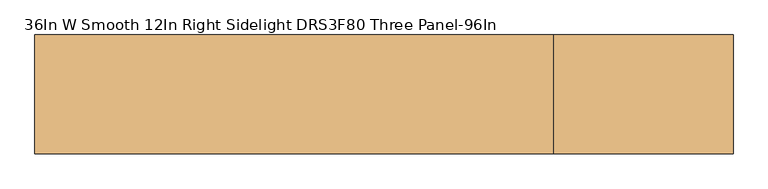
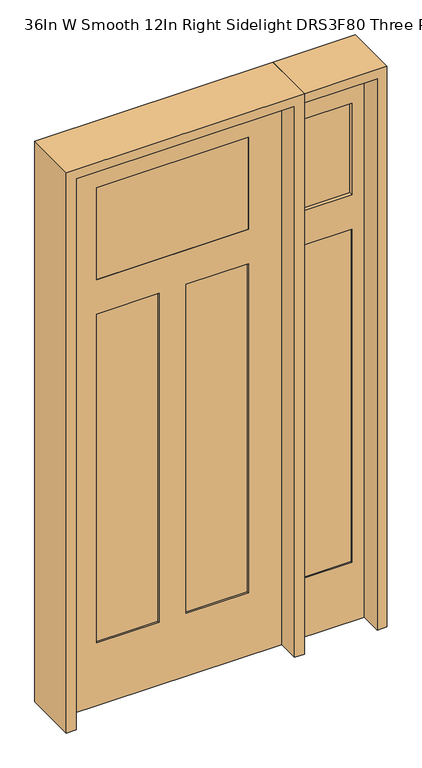
"""IFC4 building model written with IfcOpenShell, lengths in millimetres: door geometry, 36In W Smooth 12In Right Sidelight DRS3F80 Three Panel-96In."""

from ifc_helpers import new_model, si_unit, frame, origin, place, context, project, spatial, polyline, outline, extrude, faceted_brep, source, transform, mapped, element, save


def door_36in_w_smooth_12in_right_sidelight_drs3f80_three_panel_178163c4(model_context):
    return source(origin(), model_context, "Body", "SolidModel", [
        extrude(outline(polyline([(0.0, 803.275), (2438.4, 803.275), (2438.4, 498.475), (0.0, 498.475), (0.0, 803.275)]), holes=[polyline([(1885.95, 549.275), (2292.35, 549.275), (2292.35, 752.475), (1885.95, 752.475), (1885.95, 549.275)]), polyline([(260.35, 549.275), (1733.55, 549.275), (1733.55, 752.475), (260.35, 752.475), (260.35, 549.275)])]), frame((0.0, -20.6375, 0.0), z_axis=(0.0, 1.0, 0.0), x_axis=(0.0, 0.0, 1.0)), (0.0, 0.0, 1.0), 41.275),
        extrude(outline(polyline([(549.275, -4.1275), (549.275, 4.2545), (752.475, 4.2545), (752.475, -4.1275), (549.275, -4.1275)])), frame((0.0, 0.0, 1885.95), z_axis=(0.0, 0.0, 1.0), x_axis=(1.0, 0.0, 0.0)), (0.0, 0.0, 1.0), 406.4),
        extrude(outline(polyline([(549.275, -14.2875), (549.275, 14.4145), (752.475, 14.4145), (752.475, -14.2875), (549.275, -14.2875)])), frame((0.0, 0.0, 260.35), z_axis=(0.0, 0.0, 1.0), x_axis=(1.0, 0.0, 0.0)), (0.0, 0.0, 1.0), 1473.2),
        faceted_brep([(457.2, 20.6375, 0.0), (457.2, -20.6375, 0.0), (-457.2, -20.6375, 0.0), (-457.2, 20.6375, 0.0), (457.2, 20.6375, 2438.4), (457.2, -20.6375, 2438.4), (-457.2, -20.6375, 2438.4), (-317.5, -20.6375, 2292.35), (317.5, -20.6375, 2292.35), (317.5, -20.6375, 1885.95), (-317.5, -20.6375, 1885.95), (-317.5, -20.6375, 1733.55), (-57.15, -20.6375, 1733.55), (-57.15, -20.6375, 279.4), (-317.5, -20.6375, 279.4), (57.15, -20.6375, 1733.55), (317.5, -20.6375, 1733.55), (317.5, -20.6375, 279.4), (57.15, -20.6375, 279.4), (-457.2, 20.6375, 2438.4), (-57.15, 20.6375, 1733.55), (-317.5, 20.6375, 1733.55), (-317.5, 20.6375, 279.4), (-57.15, 20.6375, 279.4), (317.5, 20.6375, 1733.55), (57.15, 20.6375, 1733.55), (57.15, 20.6375, 279.4), (317.5, 20.6375, 279.4), (317.5, 20.6375, 2292.35), (-317.5, 20.6375, 2292.35), (-317.5, 20.6375, 1885.95), (317.5, 20.6375, 1885.95), (-317.5, 14.2875, 1733.55), (-317.5, 14.2875, 279.4), (-57.15, 14.2875, 279.4), (-57.15, 14.2875, 1733.55), (57.15, 14.2875, 1733.55), (57.15, 14.2875, 279.4), (317.5, 14.2875, 279.4), (317.5, 14.2875, 1733.55), (-57.15, -14.2875, 1733.55), (-57.15, -14.2875, 279.4), (-317.5, -14.2875, 279.4), (-317.5, -14.2875, 1733.55), (317.5, -14.2875, 1733.55), (317.5, -14.2875, 279.4), (57.15, -14.2875, 279.4), (57.15, -14.2875, 1733.55)], [[[0, 1, 2, 3]], [[4, 5, 1, 0]], [[5, 6, 2, 1], [7, 8, 9, 10], [11, 12, 13, 14], [15, 16, 17, 18]], [[6, 19, 3, 2]], [[19, 4, 0, 3], [20, 21, 22, 23], [24, 25, 26, 27], [28, 29, 30, 31]], [[4, 19, 6, 5]], [[32, 33, 22, 21]], [[33, 34, 23, 22]], [[34, 35, 20, 23]], [[36, 37, 26, 25]], [[37, 38, 27, 26]], [[38, 39, 24, 27]], [[40, 41, 13, 12]], [[41, 42, 14, 13]], [[42, 43, 11, 14]], [[44, 45, 17, 16]], [[45, 46, 18, 17]], [[46, 47, 15, 18]], [[40, 43, 42, 41]], [[44, 47, 46, 45]], [[35, 34, 33, 32]], [[39, 38, 37, 36]], [[7, 29, 28, 8]], [[29, 7, 10, 30]], [[30, 10, 9, 31]], [[8, 28, 31, 9]], [[43, 40, 12, 11]], [[47, 44, 16, 15]], [[35, 32, 21, 20]], [[39, 36, 25, 24]]]),
        extrude(outline(polyline([(317.5, -20.6375), (-317.5, -20.6375), (-317.5, 20.6375), (317.5, 20.6375), (317.5, -20.6375)])), frame((0.0, 0.0, 1885.95), z_axis=(0.0, 0.0, 1.0), x_axis=(1.0, 0.0, 0.0)), (0.0, 0.0, 1.0), 406.4),
        extrude(outline(polyline([(2479.675, -498.475), (0.0, -498.475), (0.0, -457.2), (2438.4, -457.2), (2438.4, 457.2), (0.0, 457.2), (0.0, 498.475), (2479.675, 498.475), (2479.675, -498.475)])), frame((0.0, -114.3, 0.0), z_axis=(0.0, 1.0, 0.0), x_axis=(0.0, 0.0, 1.0)), (0.0, 0.0, 1.0), 228.6),
        extrude(outline(polyline([(0.0, 803.275), (0.0, 844.55), (2479.675, 844.55), (2479.675, 498.475), (2438.4, 498.475), (2438.4, 803.275), (0.0, 803.275)])), frame((0.0, -114.3, 0.0), z_axis=(0.0, 1.0, 0.0), x_axis=(0.0, 0.0, 1.0)), (0.0, 0.0, 1.0), 228.6),
    ])


if __name__ == "__main__":
    model = new_model("IFC4")
    model_context = context("Model", 3, world=origin())
    ifc_project = project(units=[si_unit("LENGTHUNIT", "METRE", prefix="MILLI")], contexts=[model_context])
    site = spatial("IfcSite", under=ifc_project)
    building = spatial("IfcBuilding", under=site)
    placement = place(None, origin())
    door_36in_w_smooth_12in_right_sidelight_drs3f80_three_panel_shape = door_36in_w_smooth_12in_right_sidelight_drs3f80_three_panel_178163c4(model_context)
    element("IfcDoor", 1, ObjectType="36In W Smooth 12In Right Sidelight DRS3F80 Three Panel-96In", at=placement, inside=building, context=model_context, shape_type="MappedRepresentation", body=[
        mapped(door_36in_w_smooth_12in_right_sidelight_drs3f80_three_panel_shape, transform((0.0, 0.0, 0.0), x_axis=(1.0, 0.0, 0.0), y_axis=(0.0, 1.0, 0.0), z_axis=(0.0, 0.0, 1.0))),
    ])
    save(model, "model.ifc")
